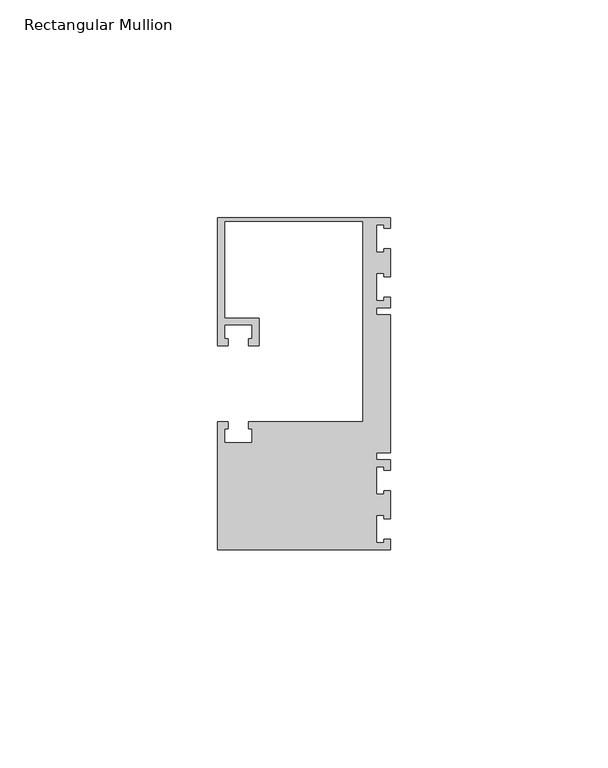
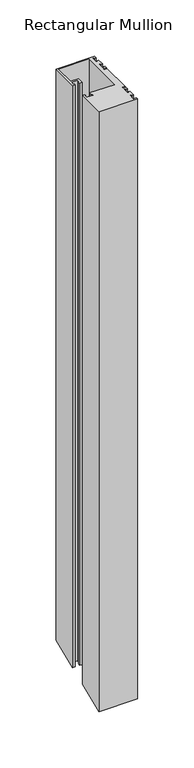
"""IFC4 building model written with IfcOpenShell, lengths in millimetres: member geometry, Rectangular Mullion."""

import ifcopenshell
import ifcopenshell.guid

model = None  # the IFC model being written
_history = None  # IfcOwnerHistory: only IFC2X3 demands one
_inside = {}  # id of a spatial element -> (the spatial element, [elements in it])
_under = {}  # id of a project, library or spatial element -> (it, [spatial elements below it])
_declared = {}  # id of a project -> (the project, [libraries it declares])
_typed = {}  # id of a type object -> (the type object, [elements of that type])
_made_of = {}  # id of a material, layer set ... -> (it, [elements and type objects made of it])


def new_model(schema):
    """Start an empty IFC model of exactly this schema.

    Asked for "IFC4X3", IfcOpenShell would pick the latest addendum, in which some entities
    have other attributes; the version numbers below select the first issue.
    IFC2X3 requires an IfcOwnerHistory on every rooted entity: one is made here for all.
    """
    global model, _history
    if schema == "IFC4X3":
        model = ifcopenshell.file(schema_version=(4, 3, 0, 0))
    else:
        model = ifcopenshell.file(schema=schema)
    _inside.clear()
    _under.clear()
    _declared.clear()
    _typed.clear()
    _made_of.clear()
    _history = None
    if model.schema == "IFC2X3":
        org = make("IfcOrganization", Name="unknown")
        user = make(
            "IfcPersonAndOrganization",
            ThePerson=make("IfcPerson", FamilyName="unknown"),
            TheOrganization=org,
        )
        app = make(
            "IfcApplication",
            ApplicationDeveloper=org,
            Version="unknown",
            ApplicationFullName="unknown",
            ApplicationIdentifier="unknown",
        )
        _history = make(
            "IfcOwnerHistory",
            OwningUser=user,
            OwningApplication=app,
            ChangeAction="ADDED",
            CreationDate=0,
        )
    return model


def make(cls, **values):
    """One entity of the class cls with the attributes given. An attribute that is None is left unset."""
    return model.create_entity(
        cls, **{name: value for name, value in values.items() if value is not None}
    )


def rooted(cls, **values):
    """An entity with a GlobalId (a new one), such as an element, a storey or a relation."""
    return make(cls, GlobalId=ifcopenshell.guid.new(), OwnerHistory=_history, **values)


def si_unit(unit_type, name, prefix=None):
    """IfcSIUnit, for example si_unit("LENGTHUNIT", "METRE", prefix="MILLI")."""
    return make("IfcSIUnit", UnitType=unit_type, Prefix=prefix, Name=name)


def assignment(units):
    """IfcUnitAssignment: the units of a project."""
    return None if units is None else make("IfcUnitAssignment", Units=units)


def point(xyz):
    """IfcCartesianPoint."""
    return None if xyz is None else make("IfcCartesianPoint", Coordinates=xyz)


def direction(xyz):
    """IfcDirection."""
    return None if xyz is None else make("IfcDirection", DirectionRatios=xyz)


def frame(location, z_axis=None, x_axis=None):
    """IfcAxis2Placement3D, a coordinate frame: its origin and axes. An axis left out is left unset."""
    return make(
        "IfcAxis2Placement3D",
        Location=point(location),
        Axis=direction(z_axis),
        RefDirection=direction(x_axis),
    )


def origin():
    """The frame at (0, 0, 0) with its axes left unset."""
    return frame((0.0, 0.0, 0.0))


def place(relative_to, where):
    """IfcLocalPlacement: puts the frame where relative to a parent placement (None: the world)."""
    return make(
        "IfcLocalPlacement", PlacementRelTo=relative_to, RelativePlacement=where
    )


def context(
    kind, dimensions, precision=None, world=None, true_north=None, identifier=None
):
    """IfcGeometricRepresentationContext, for example the 3D "Model" context."""
    return make(
        "IfcGeometricRepresentationContext",
        ContextIdentifier=identifier,
        ContextType=kind,
        CoordinateSpaceDimension=dimensions,
        Precision=precision,
        WorldCoordinateSystem=world,
        TrueNorth=true_north,
    )


def project(units=None, contexts=None):
    """IfcProject with its units and contexts."""
    return rooted(
        "IfcProject",
        Name="project",
        RepresentationContexts=contexts,
        UnitsInContext=assignment(units),
    )


def spatial(cls, under=None, at=None, **own):
    """A site, building, storey or space (cls), placed at a placement, below another one or the project."""
    s = rooted(cls, ObjectPlacement=at, **own)
    if under is not None:
        _under.setdefault(under.id(), (under, []))[1].append(s)
    return s


def faces_of(points, faces, orient=None, outer=None):
    """IfcFace entities. A face is a list of loops; a loop is a list of indices into points, from 0.

    orient and outer hold one flag for each loop. By default every Orientation is true, the
    first loop of a face is its IfcFaceOuterBound and the others are IfcFaceBound.
    """
    made = []
    for i, loops in enumerate(faces):
        bounds = []
        for j, loop in enumerate(loops):
            is_outer = j == 0 if outer is None else outer[i][j]
            bounds.append(
                make(
                    "IfcFaceOuterBound" if is_outer else "IfcFaceBound",
                    Bound=make("IfcPolyLoop", Polygon=[points[k] for k in loop]),
                    Orientation=True if orient is None else orient[i][j],
                )
            )
        made.append(make("IfcFace", Bounds=bounds))
    return made


def faceted_brep(points, faces, orient=None, outer=None, voids=None):
    """IfcFacetedBrep: a solid bounded by flat faces; with voids (closed shells), ...WithVoids."""
    shared = [point(p) for p in points]
    hull = make("IfcClosedShell", CfsFaces=faces_of(shared, faces, orient, outer))
    if voids is None:
        return make("IfcFacetedBrep", Outer=hull)
    return make(
        "IfcFacetedBrepWithVoids",
        Outer=hull,
        Voids=[
            make(cls, CfsFaces=faces_of(shared, fs, o, b)) for cls, fs, o, b in voids
        ],
    )


def shape(context_of_items, identifier, shape_type, items):
    """IfcShapeRepresentation: the items that make up one representation, for example the "Body"."""
    return make(
        "IfcShapeRepresentation",
        ContextOfItems=context_of_items,
        RepresentationIdentifier=identifier,
        RepresentationType=shape_type,
        Items=items,
    )


def source(mapping_origin, context_of_items, identifier, shape_type, items):
    """IfcRepresentationMap: a shape defined once, which mapped items show again and again."""
    return make(
        "IfcRepresentationMap",
        MappingOrigin=mapping_origin,
        MappedRepresentation=shape(context_of_items, identifier, shape_type, items),
    )


def transform(
    local_origin,
    x_axis=None,
    y_axis=None,
    z_axis=None,
    scale=None,
    scale2=None,
    scale3=None,
    uniform=True,
):
    """IfcCartesianTransformationOperator3D, or its non-uniform kind. x_axis, y_axis, z_axis: its Axis1, 2, 3."""
    if uniform:
        return make(
            "IfcCartesianTransformationOperator3D",
            Axis1=direction(x_axis),
            Axis2=direction(y_axis),
            LocalOrigin=point(local_origin),
            Scale=scale,
            Axis3=direction(z_axis),
        )
    return make(
        "IfcCartesianTransformationOperator3DnonUniform",
        Axis1=direction(x_axis),
        Axis2=direction(y_axis),
        LocalOrigin=point(local_origin),
        Scale=scale,
        Axis3=direction(z_axis),
        Scale2=scale2,
        Scale3=scale3,
    )


def mapped(mapping_source, mapping_target):
    """IfcMappedItem: shows the shape of a source again, moved by a transform."""
    return make(
        "IfcMappedItem", MappingSource=mapping_source, MappingTarget=mapping_target
    )


def made_of(thing, what):
    """Note that an element or type object is made of a material, layer set ...; save() writes the relation."""
    if what is not None:
        _made_of.setdefault(what.id(), (what, []))[1].append(thing)
    return thing


def element(
    cls,
    number,
    at=None,
    inside=None,
    cuts=None,
    type_object=None,
    material=None,
    context=None,
    identifier="Body",
    shape_type=None,
    held_by="IfcProductDefinitionShape",
    body=None,
    shapes=None,
    **own,
):
    """One element of the class cls, such as IfcWall. Its Tag is "e" and its number.

    at: its placement. inside: the storey or other place that contains it. cuts: it is an
    opening in that element (IfcRelVoidsElement). A single representation is given by context,
    identifier, shape_type and body (its items); several are given by shapes. held_by: the class
    of the entity that holds the representations. save() writes the other relations.
    """
    e = rooted(cls, Tag="e%d" % number, ObjectPlacement=at, **own)
    if body is not None:
        shapes = [shape(context, identifier, shape_type, body)]
    if shapes is not None:
        e.Representation = make(held_by, Representations=shapes)
    if inside is not None:
        _inside.setdefault(inside.id(), (inside, []))[1].append(e)
    if cuts is not None:
        rooted(
            "IfcRelVoidsElement", RelatingBuildingElement=cuts, RelatedOpeningElement=e
        )
    if type_object is not None:
        _typed.setdefault(type_object.id(), (type_object, []))[1].append(e)
    return made_of(e, material)


def aggregate(whole, parts):
    """IfcRelAggregates: a whole, such as a stair, and the parts it consists of."""
    return rooted("IfcRelAggregates", RelatingObject=whole, RelatedObjects=parts)


def save(model, path):
    """Write the relations noted so far, then the file.

    IfcRelAggregates (storeys below a building ...), IfcRelContainedInSpatialStructure (elements
    in a storey), IfcRelDefinesByType, IfcRelAssociatesMaterial and IfcRelDeclares: one each for
    every whole, place, type object, material and project.
    """
    for whole, parts in _under.values():
        aggregate(whole, parts)
    for where, things in _inside.values():
        rooted(
            "IfcRelContainedInSpatialStructure",
            RelatedElements=things,
            RelatingStructure=where,
        )
    for kind, things in _typed.values():
        rooted("IfcRelDefinesByType", RelatedObjects=things, RelatingType=kind)
    for what, things in _made_of.values():
        rooted("IfcRelAssociatesMaterial", RelatedObjects=things, RelatingMaterial=what)
    for by, libraries in _declared.values():
        rooted("IfcRelDeclares", RelatingContext=by, RelatedDefinitions=libraries)
    model.write(path)


def rectangular_mullion_7f1dfcef(model_context):
    return source(origin(), model_context, "Body", "Brep", [
        faceted_brep([(0.0, 38.1, 0.0), (-39.6875, 38.1, 0.0), (-39.6875, 8.73125, 0.0), (-37.30625, 8.73125, 0.0), (-37.30625, 10.31875, 0.0), (-38.1, 10.31875, 0.0), (-38.1, 13.49375, 0.0), (-31.75, 13.49375, 0.0), (-31.75, 10.31875, 0.0), (-32.54375, 10.31875, 0.0), (-32.54375, 8.73125, 0.0), (-30.1625, 8.73125, 0.0), (-30.1625, 15.08125, 0.0), (-38.1, 15.08125, 0.0), (-38.1, 37.30625, 0.0), (-6.35, 37.30625, 0.0), (-6.35, -8.73125, 0.0), (-32.54375, -8.73125, 0.0), (-32.54375, -10.31875, 0.0), (-31.75, -10.31875, 0.0), (-31.75, -13.49375, 0.0), (-38.1, -13.49375, 0.0), (-38.1, -10.31875, 0.0), (-37.30625, -10.31875, 0.0), (-37.30625, -8.73125, 0.0), (-39.6875, -8.73125, 0.0), (-39.6875, -38.1, 0.0), (0.0, -38.1, 0.0), (0.0, -35.71875, 0.0), (-1.4999946, -35.71875, 0.0), (-1.4999946, -36.5125, 0.0), (-3.175, -36.5125, 0.0), (-3.175, -30.1625, 0.0), (-1.4999946, -30.1625, 0.0), (-1.4999946, -30.95625, 0.0), (0.0, -30.95625, 0.0), (0.0, -24.60625, 0.0), (-1.4999946, -24.60625, 0.0), (-1.4999946, -25.4, 0.0), (-3.175, -25.4, 0.0), (-3.175, -19.05, 0.0), (-1.4999946, -19.05, 0.0), (-1.4999946, -19.84375, 0.0), (0.0, -19.84375, 0.0), (0.0, -17.4625, 0.0), (-3.175, -17.4625, 0.0), (-3.175, -15.875, 0.0), (0.0, -15.875, 0.0), (0.0, 15.875, 0.0), (-3.175, 15.875, 0.0), (-3.175, 17.4625, 0.0), (0.0, 17.4625, 0.0), (0.0, 19.84375, 0.0), (-1.4999946, 19.84375, 0.0), (-1.4999946, 19.05, 0.0), (-3.175, 19.05, 0.0), (-3.175, 25.4, 0.0), (-1.4999946, 25.4, 0.0), (-1.4999946, 24.60625, 0.0), (0.0, 24.60625, 0.0), (0.0, 30.95625, 0.0), (-1.4999946, 30.95625, 0.0), (-1.4999946, 30.1625, 0.0), (-3.175, 30.1625, 0.0), (-3.175, 36.5125, 0.0), (-1.4999946, 36.5125, 0.0), (-1.4999946, 35.71875, 0.0), (0.0, 35.71875, 0.0), (0.0, 38.1, -619.2184633), (-39.6875, 38.1, -619.2184633), (-39.6875, 8.73125, -631.3833978), (-37.30625, 8.73125, -631.3833978), (-37.30625, 10.31875, -630.7258338), (-38.1, 10.31875, -630.7258338), (-38.1, 13.49375, -629.4107057), (-31.75, 13.49375, -629.4107057), (-31.75, 10.31875, -630.7258338), (-32.54375, 10.31875, -630.7258338), (-32.54375, 8.73125, -631.3833978), (-30.1625, 8.73125, -631.3833978), (-30.1625, 15.08125, -628.7531417), (-38.1, 15.08125, -628.7531417), (-38.1, 37.30625, -619.5472453), (-6.35, 37.30625, -619.5472453), (-6.35, -8.73125, -638.6166022), (-32.54375, -8.73125, -638.6166022), (-32.54375, -10.31875, -639.2741662), (-31.75, -10.31875, -639.2741662), (-31.75, -13.49375, -640.5892943), (-38.1, -13.49375, -640.5892943), (-38.1, -10.31875, -639.2741662), (-37.30625, -10.31875, -639.2741662), (-37.30625, -8.73125, -638.6166022), (-39.6875, -8.73125, -638.6166022), (-39.6875, -38.1, -650.7815367), (0.0, -38.1, -650.7815367), (0.0, -35.71875, -649.7951907), (-1.4999946, -35.71875, -649.7951907), (-1.4999946, -36.5125, -650.1239727), (-3.175, -36.5125, -650.1239727), (-3.175, -30.1625, -647.4937166), (-1.4999946, -30.1625, -647.4937166), (-1.4999946, -30.95625, -647.8224986), (0.0, -30.95625, -647.8224986), (0.0, -24.60625, -645.1922425), (-1.4999946, -24.60625, -645.1922425), (-1.4999946, -25.4, -645.5210245), (-3.175, -25.4, -645.5210245), (-3.175, -19.05, -642.8907684), (-1.4999946, -19.05, -642.8907684), (-1.4999946, -19.84375, -643.2195504), (0.0, -19.84375, -643.2195504), (0.0, -17.4625, -642.2332043), (-3.175, -17.4625, -642.2332043), (-3.175, -15.875, -641.5756403), (0.0, -15.875, -641.5756403), (0.0, 15.875, -628.4243597), (-3.175, 15.875, -628.4243597), (-3.175, 17.4625, -627.7667957), (0.0, 17.4625, -627.7667957), (0.0, 19.84375, -626.7804496), (-1.4999946, 19.84375, -626.7804496), (-1.4999946, 19.05, -627.1092316), (-3.175, 19.05, -627.1092316), (-3.175, 25.4, -624.4789755), (-1.4999946, 25.4, -624.4789755), (-1.4999946, 24.60625, -624.8077575), (0.0, 24.60625, -624.8077575), (0.0, 30.95625, -622.1775014), (-1.4999946, 30.95625, -622.1775014), (-1.4999946, 30.1625, -622.5062834), (-3.175, 30.1625, -622.5062834), (-3.175, 36.5125, -619.8760273), (-1.4999946, 36.5125, -619.8760273), (-1.4999946, 35.71875, -620.2048093), (0.0, 35.71875, -620.2048093)], [[[0, 1, 2, 3, 4, 5, 6, 7, 8, 9, 10, 11, 12, 13, 14, 15, 16, 17, 18, 19, 20, 21, 22, 23, 24, 25, 26, 27, 28, 29, 30, 31, 32, 33, 34, 35, 36, 37, 38, 39, 40, 41, 42, 43, 44, 45, 46, 47, 48, 49, 50, 51, 52, 53, 54, 55, 56, 57, 58, 59, 60, 61, 62, 63, 64, 65, 66, 67]], [[1, 0, 68, 69]], [[2, 1, 69, 70]], [[3, 2, 70, 71]], [[4, 3, 71, 72]], [[5, 4, 72, 73]], [[6, 5, 73, 74]], [[7, 6, 74, 75]], [[8, 7, 75, 76]], [[9, 8, 76, 77]], [[10, 9, 77, 78]], [[11, 10, 78, 79]], [[12, 11, 79, 80]], [[13, 12, 80, 81]], [[14, 13, 81, 82]], [[15, 14, 82, 83]], [[16, 15, 83, 84]], [[17, 16, 84, 85]], [[18, 17, 85, 86]], [[19, 18, 86, 87]], [[20, 19, 87, 88]], [[21, 20, 88, 89]], [[22, 21, 89, 90]], [[23, 22, 90, 91]], [[24, 23, 91, 92]], [[25, 24, 92, 93]], [[26, 25, 93, 94]], [[27, 26, 94, 95]], [[28, 27, 95, 96]], [[29, 28, 96, 97]], [[30, 29, 97, 98]], [[31, 30, 98, 99]], [[32, 31, 99, 100]], [[33, 32, 100, 101]], [[34, 33, 101, 102]], [[35, 34, 102, 103]], [[36, 35, 103, 104]], [[37, 36, 104, 105]], [[38, 37, 105, 106]], [[39, 38, 106, 107]], [[40, 39, 107, 108]], [[41, 40, 108, 109]], [[42, 41, 109, 110]], [[43, 42, 110, 111]], [[44, 43, 111, 112]], [[45, 44, 112, 113]], [[46, 45, 113, 114]], [[47, 46, 114, 115]], [[48, 47, 115, 116]], [[49, 48, 116, 117]], [[50, 49, 117, 118]], [[51, 50, 118, 119]], [[52, 51, 119, 120]], [[53, 52, 120, 121]], [[54, 53, 121, 122]], [[55, 54, 122, 123]], [[56, 55, 123, 124]], [[57, 56, 124, 125]], [[58, 57, 125, 126]], [[59, 58, 126, 127]], [[60, 59, 127, 128]], [[61, 60, 128, 129]], [[62, 61, 129, 130]], [[63, 62, 130, 131]], [[64, 63, 131, 132]], [[65, 64, 132, 133]], [[66, 65, 133, 134]], [[67, 66, 134, 135]], [[0, 67, 135, 68]], [[68, 135, 134, 133, 132, 131, 130, 129, 128, 127, 126, 125, 124, 123, 122, 121, 120, 119, 118, 117, 116, 115, 114, 113, 112, 111, 110, 109, 108, 107, 106, 105, 104, 103, 102, 101, 100, 99, 98, 97, 96, 95, 94, 93, 92, 91, 90, 89, 88, 87, 86, 85, 84, 83, 82, 81, 80, 79, 78, 77, 76, 75, 74, 73, 72, 71, 70, 69]]]),
    ])


if __name__ == "__main__":
    model = new_model("IFC4")
    model_context = context("Model", 3, world=origin())
    ifc_project = project(units=[si_unit("LENGTHUNIT", "METRE", prefix="MILLI")], contexts=[model_context])
    site = spatial("IfcSite", under=ifc_project)
    building = spatial("IfcBuilding", under=site)
    placement = place(None, origin())
    rectangular_mullion_shape = rectangular_mullion_7f1dfcef(model_context)
    element("IfcMember", 1, ObjectType="Rectangular Mullion", at=placement, inside=building, context=model_context, shape_type="MappedRepresentation", body=[
        mapped(rectangular_mullion_shape, transform((0.0, 0.0, 0.0), x_axis=(1.0, 0.0, 0.0), y_axis=(0.0, 1.0, 0.0), z_axis=(0.0, 0.0, 1.0))),
    ])
    save(model, "model.ifc")
